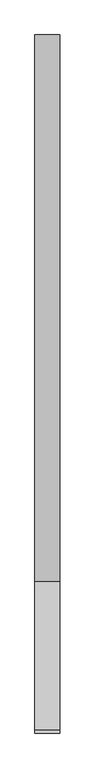
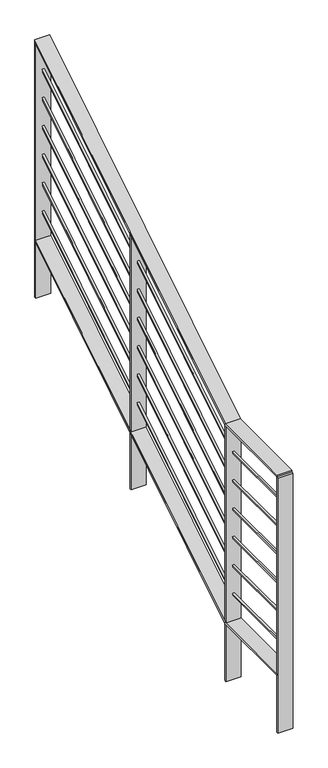
"""IFC4 building model written with IfcOpenShell, lengths in millimetres: railing geometry."""

from ifc_helpers import new_model, si_unit, frame, origin, place, context, project, spatial, polyline, outline, extrude, faceted_brep, source, transform, mapped, element, save


def railing_7deb34fb(model_context):
    return source(origin(), model_context, "Body", "SolidModel", [
        faceted_brep([(-5594.5027032, -2497.5140446, 819.15), (-5645.3027032, -2497.5140446, 819.15), (-5645.3027032, -2497.5140446, 812.8), (-5594.5027032, -2497.5140446, 812.8), (-5594.5027032, -2194.5311871, 819.15), (-5645.3027032, -2194.5311871, 819.15), (-5645.3027032, -2192.7140446, 812.8), (-5594.5027032, -2192.7140446, 812.8), (-5594.5027032, -1075.1140446, 1516.9684785), (-5594.5027032, -1075.1140446, 1509.4857143), (-5645.3027032, -1075.1140446, 1509.4857143), (-5645.3027032, -1075.1140446, 1516.9684785)], [[[0, 1, 2, 3]], [[1, 0, 4, 5]], [[2, 1, 5, 6]], [[3, 2, 6, 7]], [[0, 3, 7, 4]], [[8, 9, 10, 11]], [[5, 4, 8, 11]], [[6, 5, 11, 10]], [[7, 6, 10, 9]], [[4, 7, 9, 8]]]),
        faceted_brep([(-5616.7277032, -2497.5140446, 714.375), (-5623.0777032, -2497.5140446, 714.375), (-5623.0777032, -2497.5140446, 708.025), (-5616.7277032, -2497.5140446, 708.025), (-5616.7277032, -2193.6226158, 714.375), (-5623.0777032, -2193.6226158, 714.375), (-5623.0777032, -2191.8054733, 708.025), (-5616.7277032, -2191.8054733, 708.025), (-5616.7277032, -1075.1140446, 1411.6270964), (-5616.7277032, -1075.1140446, 1404.1443322), (-5623.0777032, -1075.1140446, 1404.1443322), (-5623.0777032, -1075.1140446, 1411.6270964)], [[[0, 1, 2, 3]], [[1, 0, 4, 5]], [[2, 1, 5, 6]], [[3, 2, 6, 7]], [[0, 3, 7, 4]], [[8, 9, 10, 11]], [[5, 4, 8, 11]], [[6, 5, 11, 10]], [[7, 6, 10, 9]], [[4, 7, 9, 8]]]),
        faceted_brep([(-5616.7277032, -2497.5140446, 612.775), (-5623.0777032, -2497.5140446, 612.775), (-5623.0777032, -2497.5140446, 606.425), (-5616.7277032, -2497.5140446, 606.425), (-5616.7277032, -2193.6226158, 612.775), (-5623.0777032, -2193.6226158, 612.775), (-5623.0777032, -2191.8054733, 606.425), (-5616.7277032, -2191.8054733, 606.425), (-5616.7277032, -1075.1140446, 1310.0270964), (-5616.7277032, -1075.1140446, 1302.5443322), (-5623.0777032, -1075.1140446, 1302.5443322), (-5623.0777032, -1075.1140446, 1310.0270964)], [[[0, 1, 2, 3]], [[1, 0, 4, 5]], [[2, 1, 5, 6]], [[3, 2, 6, 7]], [[0, 3, 7, 4]], [[8, 9, 10, 11]], [[5, 4, 8, 11]], [[6, 5, 11, 10]], [[7, 6, 10, 9]], [[4, 7, 9, 8]]]),
        faceted_brep([(-5616.7277032, -2497.5140446, 511.175), (-5623.0777032, -2497.5140446, 511.175), (-5623.0777032, -2497.5140446, 504.825), (-5616.7277032, -2497.5140446, 504.825), (-5616.7277032, -2193.6226158, 511.175), (-5623.0777032, -2193.6226158, 511.175), (-5623.0777032, -2191.8054733, 504.825), (-5616.7277032, -2191.8054733, 504.825), (-5616.7277032, -1075.1140446, 1208.4270964), (-5616.7277032, -1075.1140446, 1200.9443322), (-5623.0777032, -1075.1140446, 1200.9443322), (-5623.0777032, -1075.1140446, 1208.4270964)], [[[0, 1, 2, 3]], [[1, 0, 4, 5]], [[2, 1, 5, 6]], [[3, 2, 6, 7]], [[0, 3, 7, 4]], [[8, 9, 10, 11]], [[5, 4, 8, 11]], [[6, 5, 11, 10]], [[7, 6, 10, 9]], [[4, 7, 9, 8]]]),
        faceted_brep([(-5616.7277032, -2497.5140446, 409.575), (-5623.0777032, -2497.5140446, 409.575), (-5623.0777032, -2497.5140446, 403.225), (-5616.7277032, -2497.5140446, 403.225), (-5616.7277032, -2193.6226158, 409.575), (-5623.0777032, -2193.6226158, 409.575), (-5623.0777032, -2191.8054733, 403.225), (-5616.7277032, -2191.8054733, 403.225), (-5616.7277032, -1075.1140446, 1106.8270964), (-5616.7277032, -1075.1140446, 1099.3443322), (-5623.0777032, -1075.1140446, 1099.3443322), (-5623.0777032, -1075.1140446, 1106.8270964)], [[[0, 1, 2, 3]], [[1, 0, 4, 5]], [[2, 1, 5, 6]], [[3, 2, 6, 7]], [[0, 3, 7, 4]], [[8, 9, 10, 11]], [[5, 4, 8, 11]], [[6, 5, 11, 10]], [[7, 6, 10, 9]], [[4, 7, 9, 8]]]),
        faceted_brep([(-5616.7277032, -2497.5140446, 307.975), (-5623.0777032, -2497.5140446, 307.975), (-5623.0777032, -2497.5140446, 301.625), (-5616.7277032, -2497.5140446, 301.625), (-5616.7277032, -2193.6226158, 307.975), (-5623.0777032, -2193.6226158, 307.975), (-5623.0777032, -2191.8054733, 301.625), (-5616.7277032, -2191.8054733, 301.625), (-5616.7277032, -1075.1140446, 1005.2270964), (-5616.7277032, -1075.1140446, 997.7443322), (-5623.0777032, -1075.1140446, 997.7443322), (-5623.0777032, -1075.1140446, 1005.2270964)], [[[0, 1, 2, 3]], [[1, 0, 4, 5]], [[2, 1, 5, 6]], [[3, 2, 6, 7]], [[0, 3, 7, 4]], [[8, 9, 10, 11]], [[5, 4, 8, 11]], [[6, 5, 11, 10]], [[7, 6, 10, 9]], [[4, 7, 9, 8]]]),
        faceted_brep([(-5616.7277032, -2497.5140446, 206.375), (-5623.0777032, -2497.5140446, 206.375), (-5623.0777032, -2497.5140446, 200.025), (-5616.7277032, -2497.5140446, 200.025), (-5616.7277032, -2193.6226158, 206.375), (-5623.0777032, -2193.6226158, 206.375), (-5623.0777032, -2191.8054733, 200.025), (-5616.7277032, -2191.8054733, 200.025), (-5616.7277032, -1075.1140446, 903.6270964), (-5616.7277032, -1075.1140446, 896.1443322), (-5623.0777032, -1075.1140446, 896.1443322), (-5623.0777032, -1075.1140446, 903.6270964)], [[[0, 1, 2, 3]], [[1, 0, 4, 5]], [[2, 1, 5, 6]], [[3, 2, 6, 7]], [[0, 3, 7, 4]], [[8, 9, 10, 11]], [[5, 4, 8, 11]], [[6, 5, 11, 10]], [[7, 6, 10, 9]], [[4, 7, 9, 8]]]),
        faceted_brep([(-5594.5027032, -2497.5140446, 107.95), (-5645.3027032, -2497.5140446, 107.95), (-5645.3027032, -2497.5140446, 101.6), (-5594.5027032, -2497.5140446, 101.6), (-5594.5027032, -2194.5311871, 107.95), (-5645.3027032, -2194.5311871, 107.95), (-5645.3027032, -2192.7140446, 101.6), (-5594.5027032, -2192.7140446, 101.6), (-5594.5027032, -1075.1140446, 805.7684785), (-5594.5027032, -1075.1140446, 798.2857143), (-5645.3027032, -1075.1140446, 798.2857143), (-5645.3027032, -1075.1140446, 805.7684785)], [[[0, 1, 2, 3]], [[1, 0, 4, 5]], [[2, 1, 5, 6]], [[3, 2, 6, 7]], [[0, 3, 7, 4]], [[8, 9, 10, 11]], [[5, 4, 8, 11]], [[6, 5, 11, 10]], [[7, 6, 10, 9]], [[4, 7, 9, 8]]]),
        extrude(outline(polyline([(-5594.5027032, -1640.2640446), (-5645.3027032, -1640.2640446), (-5645.3027032, -1633.9140446), (-5594.5027032, -1633.9140446), (-5594.5027032, -1640.2640446)])), frame((0.0, 0.0, 246.7428571), z_axis=(0.0, 0.0, 1.0), x_axis=(1.0, 0.0, 0.0)), (0.0, 0.0, 1.0), 914.4),
        extrude(outline(polyline([(-5594.5027032, -2199.0640446), (-5645.3027032, -2199.0640446), (-5645.3027032, -2192.7140446), (-5594.5027032, -2192.7140446), (-5594.5027032, -2199.0640446)])), frame((0.0, 0.0, -101.6), z_axis=(0.0, 0.0, 1.0), x_axis=(1.0, 0.0, 0.0)), (0.0, 0.0, 1.0), 914.4),
        extrude(outline(polyline([(-5594.5027032, -1081.4640446), (-5645.3027032, -1081.4640446), (-5645.3027032, -1075.1140446), (-5594.5027032, -1075.1140446), (-5594.5027032, -1081.4640446)])), frame((0.0, 0.0, 595.0857143), z_axis=(0.0, 0.0, 1.0), x_axis=(1.0, 0.0, 0.0)), (0.0, 0.0, 1.0), 914.4),
        extrude(outline(polyline([(-5594.5027032, -2503.8640446), (-5645.3027032, -2503.8640446), (-5645.3027032, -2497.5140446), (-5594.5027032, -2497.5140446), (-5594.5027032, -2503.8640446)])), frame((0.0, 0.0, -101.6), z_axis=(0.0, 0.0, 1.0), x_axis=(1.0, 0.0, 0.0)), (0.0, 0.0, 1.0), 914.4),
    ])


if __name__ == "__main__":
    model = new_model("IFC4")
    model_context = context("Model", 3, world=origin())
    ifc_project = project(units=[si_unit("LENGTHUNIT", "METRE", prefix="MILLI")], contexts=[model_context])
    site = spatial("IfcSite", under=ifc_project)
    building = spatial("IfcBuilding", under=site)
    placement = place(None, origin())
    railing_shape = railing_7deb34fb(model_context)
    element("IfcRailing", 1, at=placement, inside=building, context=model_context, shape_type="MappedRepresentation", body=[
        mapped(railing_shape, transform((0.0, 0.0, 0.0), x_axis=(1.0, 0.0, 0.0), y_axis=(0.0, 1.0, 0.0), z_axis=(0.0, 0.0, 1.0))),
    ])
    save(model, "model.ifc")
